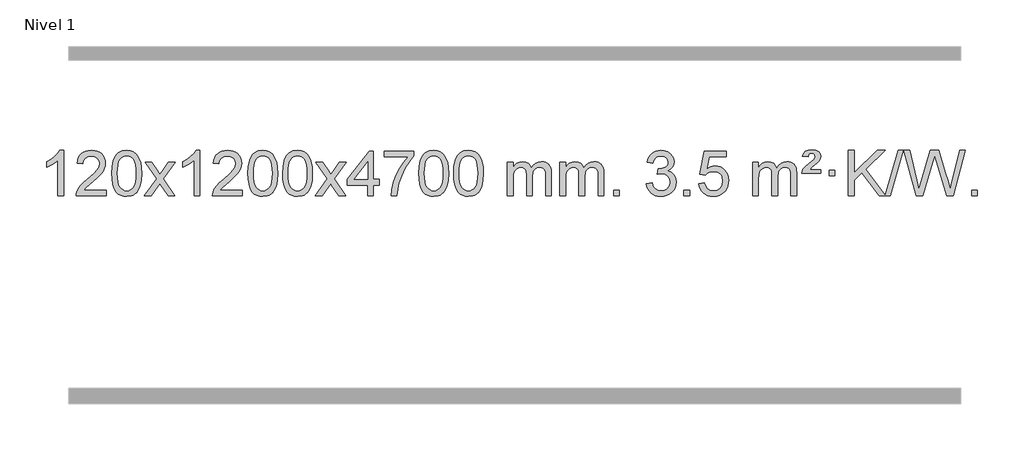
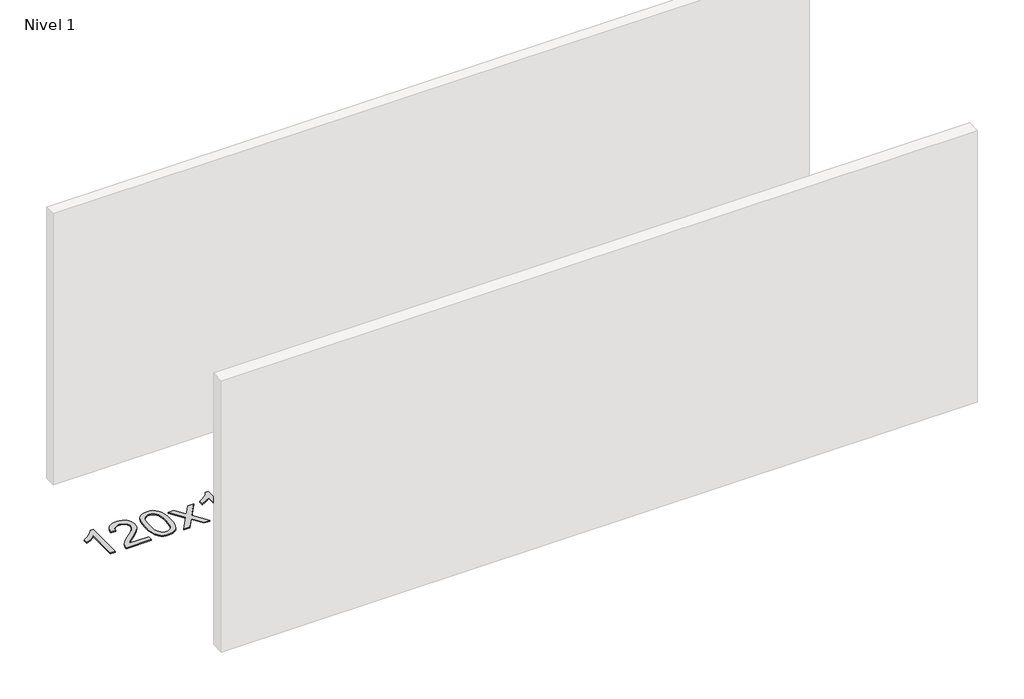
# One storey, part 11 of 16: 1 proxy.
"""IFC4 building model written with IfcOpenShell, lengths in millimetres."""

import ifcopenshell
import ifcopenshell.guid

model = None  # the IFC model being written
_history = None  # IfcOwnerHistory: only IFC2X3 demands one
_inside = {}  # id of a spatial element -> (the spatial element, [elements in it])
_under = {}  # id of a project, library or spatial element -> (it, [spatial elements below it])
_declared = {}  # id of a project -> (the project, [libraries it declares])
_typed = {}  # id of a type object -> (the type object, [elements of that type])
_made_of = {}  # id of a material, layer set ... -> (it, [elements and type objects made of it])


def new_model(schema):
    """Start an empty IFC model of exactly this schema.

    Asked for "IFC4X3", IfcOpenShell would pick the latest addendum, in which some entities
    have other attributes; the version numbers below select the first issue.
    IFC2X3 requires an IfcOwnerHistory on every rooted entity: one is made here for all.
    """
    global model, _history
    if schema == "IFC4X3":
        model = ifcopenshell.file(schema_version=(4, 3, 0, 0))
    else:
        model = ifcopenshell.file(schema=schema)
    _inside.clear()
    _under.clear()
    _declared.clear()
    _typed.clear()
    _made_of.clear()
    _history = None
    if model.schema == "IFC2X3":
        org = make("IfcOrganization", Name="unknown")
        user = make(
            "IfcPersonAndOrganization",
            ThePerson=make("IfcPerson", FamilyName="unknown"),
            TheOrganization=org,
        )
        app = make(
            "IfcApplication",
            ApplicationDeveloper=org,
            Version="unknown",
            ApplicationFullName="unknown",
            ApplicationIdentifier="unknown",
        )
        _history = make(
            "IfcOwnerHistory",
            OwningUser=user,
            OwningApplication=app,
            ChangeAction="ADDED",
            CreationDate=0,
        )
    return model


def make(cls, **values):
    """One entity of the class cls with the attributes given. An attribute that is None is left unset."""
    return model.create_entity(
        cls, **{name: value for name, value in values.items() if value is not None}
    )


def rooted(cls, **values):
    """An entity with a GlobalId (a new one), such as an element, a storey or a relation."""
    return make(cls, GlobalId=ifcopenshell.guid.new(), OwnerHistory=_history, **values)


def si_unit(unit_type, name, prefix=None):
    """IfcSIUnit, for example si_unit("LENGTHUNIT", "METRE", prefix="MILLI")."""
    return make("IfcSIUnit", UnitType=unit_type, Prefix=prefix, Name=name)


def assignment(units):
    """IfcUnitAssignment: the units of a project."""
    return None if units is None else make("IfcUnitAssignment", Units=units)


def point(xyz):
    """IfcCartesianPoint."""
    return None if xyz is None else make("IfcCartesianPoint", Coordinates=xyz)


def direction(xyz):
    """IfcDirection."""
    return None if xyz is None else make("IfcDirection", DirectionRatios=xyz)


def frame(location, z_axis=None, x_axis=None):
    """IfcAxis2Placement3D, a coordinate frame: its origin and axes. An axis left out is left unset."""
    return make(
        "IfcAxis2Placement3D",
        Location=point(location),
        Axis=direction(z_axis),
        RefDirection=direction(x_axis),
    )


def origin():
    """The frame at (0, 0, 0) with its axes left unset."""
    return frame((0.0, 0.0, 0.0))


def origin_with_axes():
    """The frame at (0, 0, 0) with the z axis (0, 0, 1) and the x axis (1, 0, 0) written out."""
    return frame((0.0, 0.0, 0.0), z_axis=(0.0, 0.0, 1.0), x_axis=(1.0, 0.0, 0.0))


def place(relative_to, where):
    """IfcLocalPlacement: puts the frame where relative to a parent placement (None: the world)."""
    return make(
        "IfcLocalPlacement", PlacementRelTo=relative_to, RelativePlacement=where
    )


def context(
    kind, dimensions, precision=None, world=None, true_north=None, identifier=None
):
    """IfcGeometricRepresentationContext, for example the 3D "Model" context."""
    return make(
        "IfcGeometricRepresentationContext",
        ContextIdentifier=identifier,
        ContextType=kind,
        CoordinateSpaceDimension=dimensions,
        Precision=precision,
        WorldCoordinateSystem=world,
        TrueNorth=true_north,
    )


def project(units=None, contexts=None):
    """IfcProject with its units and contexts."""
    return rooted(
        "IfcProject",
        Name="project",
        RepresentationContexts=contexts,
        UnitsInContext=assignment(units),
    )


def spatial(cls, under=None, at=None, **own):
    """A site, building, storey or space (cls), placed at a placement, below another one or the project."""
    s = rooted(cls, ObjectPlacement=at, **own)
    if under is not None:
        _under.setdefault(under.id(), (under, []))[1].append(s)
    return s


def polyline(points):
    """IfcPolyline through the points."""
    return make("IfcPolyline", Points=[point(p) for p in points])


def outline(outer, holes=None, kind="AREA"):
    """IfcArbitraryClosedProfileDef: a profile drawn as a closed curve; with holes, ...WithVoids."""
    if holes is None:
        return make("IfcArbitraryClosedProfileDef", ProfileType=kind, OuterCurve=outer)
    return make(
        "IfcArbitraryProfileDefWithVoids",
        ProfileType=kind,
        OuterCurve=outer,
        InnerCurves=holes,
    )


def extrude(swept, where, along, depth):
    """IfcExtrudedAreaSolid: the profile swept, set in the frame where, extruded along a direction by depth."""
    return make(
        "IfcExtrudedAreaSolid",
        SweptArea=swept,
        Position=where,
        ExtrudedDirection=direction(along),
        Depth=depth,
    )


def shape(context_of_items, identifier, shape_type, items):
    """IfcShapeRepresentation: the items that make up one representation, for example the "Body"."""
    return make(
        "IfcShapeRepresentation",
        ContextOfItems=context_of_items,
        RepresentationIdentifier=identifier,
        RepresentationType=shape_type,
        Items=items,
    )


def made_of(thing, what):
    """Note that an element or type object is made of a material, layer set ...; save() writes the relation."""
    if what is not None:
        _made_of.setdefault(what.id(), (what, []))[1].append(thing)
    return thing


def element(
    cls,
    number,
    at=None,
    inside=None,
    cuts=None,
    type_object=None,
    material=None,
    context=None,
    identifier="Body",
    shape_type=None,
    held_by="IfcProductDefinitionShape",
    body=None,
    shapes=None,
    **own,
):
    """One element of the class cls, such as IfcWall. Its Tag is "e" and its number.

    at: its placement. inside: the storey or other place that contains it. cuts: it is an
    opening in that element (IfcRelVoidsElement). A single representation is given by context,
    identifier, shape_type and body (its items); several are given by shapes. held_by: the class
    of the entity that holds the representations. save() writes the other relations.
    """
    e = rooted(cls, Tag="e%d" % number, ObjectPlacement=at, **own)
    if body is not None:
        shapes = [shape(context, identifier, shape_type, body)]
    if shapes is not None:
        e.Representation = make(held_by, Representations=shapes)
    if inside is not None:
        _inside.setdefault(inside.id(), (inside, []))[1].append(e)
    if cuts is not None:
        rooted(
            "IfcRelVoidsElement", RelatingBuildingElement=cuts, RelatedOpeningElement=e
        )
    if type_object is not None:
        _typed.setdefault(type_object.id(), (type_object, []))[1].append(e)
    return made_of(e, material)


def aggregate(whole, parts):
    """IfcRelAggregates: a whole, such as a stair, and the parts it consists of."""
    return rooted("IfcRelAggregates", RelatingObject=whole, RelatedObjects=parts)


def save(model, path):
    """Write the relations noted so far, then the file.

    IfcRelAggregates (storeys below a building ...), IfcRelContainedInSpatialStructure (elements
    in a storey), IfcRelDefinesByType, IfcRelAssociatesMaterial and IfcRelDeclares: one each for
    every whole, place, type object, material and project.
    """
    for whole, parts in _under.values():
        aggregate(whole, parts)
    for where, things in _inside.values():
        rooted(
            "IfcRelContainedInSpatialStructure",
            RelatedElements=things,
            RelatingStructure=where,
        )
    for kind, things in _typed.values():
        rooted("IfcRelDefinesByType", RelatedObjects=things, RelatingType=kind)
    for what, things in _made_of.values():
        rooted("IfcRelAssociatesMaterial", RelatedObjects=things, RelatingMaterial=what)
    for by, libraries in _declared.values():
        rooted("IfcRelDeclares", RelatingContext=by, RelatedDefinitions=libraries)
    model.write(path)


model = new_model("IFC4")

# Units and contexts
model_context = context("Model", 3, world=origin())
ifc_project = project(units=[si_unit("LENGTHUNIT", "METRE", prefix="MILLI")], contexts=[model_context])

# Site, building, storey
site = spatial("IfcSite", under=ifc_project)
building = spatial("IfcBuilding", under=site)
storey = spatial("IfcBuildingStorey", under=building, Name="Nivel 1", Elevation=0.0)

# Proxy
placement = place(None, origin())
element("IfcBuildingElementProxy", 1, Name="Texto de modelo 1", ObjectType="Texto de modelo 1", at=placement, inside=storey, context=model_context, shape_type="SweptSolid", body=[
    extrude(outline(polyline([(-275.4615788, -12420.579453), (-325.6897338, -12420.579453), (-325.6897338, -12107.4382987), (-346.6590076, -12124.3976587), (-373.2691385, -12141.3324932), (-426.146044, -12166.6918254), (-426.146044, -12119.2105225), (-386.6968314, -12097.7507395), (-352.520594, -12072.219729), (-325.5793692, -12045.0700378), (-307.8351943, -12018.7542124), (-275.4615788, -12018.7542124), (-275.4615788, -12420.579453)])), origin_with_axes(), (0.0, 0.0, 1.0), 10.0),
    extrude(outline(polyline([(101.2495843, -12370.3512979), (101.2495843, -12420.579453), (-162.4482298, -12420.579453), (-161.3445839, -12402.8965918), (-157.0526273, -12385.9494945), (-144.6672667, -12358.8856424), (-126.5429471, -12332.6311307), (-100.3252236, -12305.1503456), (-63.6596514, -12274.4076736), (-9.4583708, -12226.2641831), (23.0623976, -12190.7267824), (39.3227818, -12161.884834), (44.7429098, -12133.8277005), (39.6293501, -12108.6768347), (24.2886709, -12087.7688747), (0.707435, -12073.6789943), (-29.1277948, -12068.9823675), (-60.4590781, -12073.5686297), (-84.8006034, -12087.3274163), (-100.5091646, -12109.1796068), (-105.9415554, -12138.0460807), (-156.1697105, -12131.7675613), (-151.8501627, -12105.838012), (-143.9928164, -12083.1826125), (-132.5976716, -12063.8013627), (-117.6647283, -12047.6942627), (-99.537343, -12035.0329907), (-78.5588722, -12025.989225), (-54.729316, -12020.5629655), (-28.0486743, -12018.7542124), (-1.1289093, -12020.7653006), (22.8294057, -12026.7985654), (43.8262705, -12036.8540066), (61.8616853, -12050.9316242), (76.3470389, -12067.9890861), (86.69372, -12086.9840598), (92.9017287, -12107.9165453), (94.9710649, -12130.7865427), (92.7392475, -12154.8092369), (86.0437952, -12178.4149983), (74.1612067, -12202.4254299), (56.3679809, -12227.6621347), (28.0042791, -12257.7916701), (-15.5897374, -12296.4805933), (-73.3717361, -12344.795762), (-96.033267, -12370.3512979), (101.2495843, -12370.3512979)])), origin_with_axes(), (0.0, 0.0, 1.0), 10.0),
    extrude(outline(polyline([(151.4777394, -12222.9041943), (155.1688221, -12158.5861588), (166.2420701, -12107.2911459), (184.5871189, -12068.2343407), (196.4451819, -12053.0009605), (210.0936039, -12040.6309284), (225.5783702, -12031.0598651), (242.9454661, -12024.2233914), (283.3266464, -12018.7542124), (314.277785, -12021.991574), (341.9915619, -12031.7036586), (365.1681276, -12047.5103217), (382.5076323, -12069.0314184), (395.6042314, -12096.0830078), (406.05208, -12128.4811488), (412.8946851, -12169.6226186), (415.1755535, -12222.9041943), (411.521259, -12286.8543477), (400.5583756, -12338.0267333), (382.3236913, -12377.1203266), (370.4932195, -12392.3996922), (356.8539945, -12404.8341036), (341.3508341, -12414.4695462), (323.928556, -12421.3520052), (283.3266464, -12426.8579724), (255.6619204, -12424.4667394), (231.1364541, -12417.2930405), (209.7502474, -12405.3368757), (191.5033004, -12388.5982449), (173.9921175, -12358.3399508), (161.4841296, -12320.6381776), (153.9793369, -12275.4929255), (151.4777394, -12222.9041943)]), holes=[polyline([(201.7058944, -12222.8060924), (203.1774224, -12266.4706195), (207.5920064, -12301.8148822), (214.9496463, -12328.8388804), (225.2503421, -12347.5426142), (237.709279, -12360.2682656), (251.5416421, -12369.3580165), (266.7474312, -12374.8118671), (283.3266464, -12376.6298173), (299.9058617, -12374.8057357), (315.1116508, -12369.3334911), (328.9440138, -12360.2130833), (341.4029507, -12347.4445124), (351.7036466, -12328.7101217), (359.0612865, -12301.6922549), (363.4758705, -12266.3909118), (364.9473984, -12222.8060924), (363.5249214, -12180.2973278), (359.2574902, -12145.5753989), (352.145105, -12118.6403055), (342.1877657, -12099.4920476), (329.9372952, -12086.1440625), (315.9455167, -12076.6097875), (300.21243, -12070.8892225), (282.7380352, -12068.9823675), (266.2446591, -12070.6623619), (251.2963874, -12075.7023452), (237.89322, -12084.1023175), (226.0351571, -12095.8622786), (215.3911047, -12116.708925), (207.7882101, -12144.8151094), (203.2264734, -12180.1808319), (201.7058944, -12222.8060924)])]), origin_with_axes(), (0.0, 0.0, 1.0), 10.0),
    extrude(outline(polyline([(440.2896311, -12420.579453), (547.6130718, -12272.2494325), (446.5681504, -12125.4890419), (506.9988995, -12125.4890419), (555.7555266, -12196.122385), (578.5151594, -12229.4770192), (598.2336343, -12202.2047007), (653.7592901, -12125.4890419), (714.1900392, -12125.4890419), (608.0438209, -12272.2494325), (710.2659646, -12420.579453), (649.8352155, -12420.579453), (588.3253459, -12331.4048574), (577.0436314, -12315.1199477), (500.7203801, -12420.579453), (440.2896311, -12420.579453)])), origin_with_axes(), (0.0, 0.0, 1.0), 10.0),
    extrude(outline(polyline([(930.014143, -12420.579453), (879.785988, -12420.579453), (879.785988, -12107.4382987), (858.8167142, -12124.3976587), (832.2065832, -12141.3324932), (779.3296778, -12166.6918254), (779.3296778, -12119.2105225), (818.7788904, -12097.7507395), (852.9551278, -12072.219729), (879.8963526, -12045.0700378), (897.6405275, -12018.7542124), (930.014143, -12018.7542124), (930.014143, -12420.579453)])), origin_with_axes(), (0.0, 0.0, 1.0), 10.0),
    extrude(outline(polyline([(1306.7253061, -12370.3512979), (1306.7253061, -12420.579453), (1043.0274919, -12420.579453), (1044.1311379, -12402.8965918), (1048.4230945, -12385.9494945), (1060.808455, -12358.8856424), (1078.9327747, -12332.6311307), (1105.1504982, -12305.1503456), (1141.8160704, -12274.4076736), (1196.017351, -12226.2641831), (1228.5381194, -12190.7267824), (1244.7985036, -12161.884834), (1250.2186316, -12133.8277005), (1245.1050719, -12108.6768347), (1229.7643927, -12087.7688747), (1206.1831568, -12073.6789943), (1176.347927, -12068.9823675), (1145.0166437, -12073.5686297), (1120.6751184, -12087.3274163), (1104.9665572, -12109.1796068), (1099.5341664, -12138.0460807), (1049.3060113, -12131.7675613), (1053.6255591, -12105.838012), (1061.4829054, -12083.1826125), (1072.8780502, -12063.8013627), (1087.8109935, -12047.6942627), (1105.9383788, -12035.0329907), (1126.9168496, -12025.989225), (1150.7464058, -12020.5629655), (1177.4270475, -12018.7542124), (1204.3468125, -12020.7653006), (1228.3051275, -12026.7985654), (1249.3019923, -12036.8540066), (1267.3374071, -12050.9316242), (1281.8227607, -12067.9890861), (1292.1694418, -12086.9840598), (1298.3774505, -12107.9165453), (1300.4467867, -12130.7865427), (1298.2149693, -12154.8092369), (1291.519517, -12178.4149983), (1279.6369285, -12202.4254299), (1261.8437027, -12227.6621347), (1233.4800009, -12257.7916701), (1189.8859844, -12296.4805933), (1132.1039857, -12344.795762), (1109.4424548, -12370.3512979), (1306.7253061, -12370.3512979)])), origin_with_axes(), (0.0, 0.0, 1.0), 10.0),
    extrude(outline(polyline([(1356.9534612, -12222.9041943), (1360.6445439, -12158.5861588), (1371.7177919, -12107.2911459), (1390.0628407, -12068.2343407), (1401.9209037, -12053.0009605), (1415.5693257, -12040.6309284), (1431.054092, -12031.0598651), (1448.4211879, -12024.2233914), (1488.8023682, -12018.7542124), (1519.7535068, -12021.991574), (1547.4672837, -12031.7036586), (1570.6438494, -12047.5103217), (1587.9833541, -12069.0314184), (1601.0799532, -12096.0830078), (1611.5278018, -12128.4811488), (1618.3704069, -12169.6226186), (1620.6512753, -12222.9041943), (1616.9969808, -12286.8543477), (1606.0340974, -12338.0267333), (1587.7994131, -12377.1203266), (1575.9689413, -12392.3996922), (1562.3297163, -12404.8341036), (1546.8265559, -12414.4695462), (1529.4042778, -12421.3520052), (1488.8023682, -12426.8579724), (1461.1376422, -12424.4667394), (1436.6121759, -12417.2930405), (1415.2259692, -12405.3368757), (1396.9790222, -12388.5982449), (1379.4678393, -12358.3399508), (1366.9598514, -12320.6381776), (1359.4550587, -12275.4929255), (1356.9534612, -12222.9041943)]), holes=[polyline([(1407.1816162, -12222.8060924), (1408.6531442, -12266.4706195), (1413.0677282, -12301.8148822), (1420.4253681, -12328.8388804), (1430.7260639, -12347.5426142), (1443.1850008, -12360.2682656), (1457.0173639, -12369.3580165), (1472.223153, -12374.8118671), (1488.8023682, -12376.6298173), (1505.3815835, -12374.8057357), (1520.5873726, -12369.3334911), (1534.4197356, -12360.2130833), (1546.8786725, -12347.4445124), (1557.1793684, -12328.7101217), (1564.5370083, -12301.6922549), (1568.9515923, -12266.3909118), (1570.4231202, -12222.8060924), (1569.0006432, -12180.2973278), (1564.733212, -12145.5753989), (1557.6208268, -12118.6403055), (1547.6634875, -12099.4920476), (1535.413017, -12086.1440625), (1521.4212385, -12076.6097875), (1505.6881518, -12070.8892225), (1488.213757, -12068.9823675), (1471.7203809, -12070.6623619), (1456.7721092, -12075.7023452), (1443.3689418, -12084.1023175), (1431.5108789, -12095.8622786), (1420.8668265, -12116.708925), (1413.2639319, -12144.8151094), (1408.7021952, -12180.1808319), (1407.1816162, -12222.8060924)])]), origin_with_axes(), (0.0, 0.0, 1.0), 10.0),
    extrude(outline(polyline([(1664.600911, -12222.9041943), (1668.2919937, -12158.5861588), (1679.3652417, -12107.2911459), (1697.7102906, -12068.2343407), (1709.5683535, -12053.0009605), (1723.2167756, -12040.6309284), (1738.7015419, -12031.0598651), (1756.0686377, -12024.2233914), (1796.4498181, -12018.7542124), (1827.4009566, -12021.991574), (1855.1147336, -12031.7036586), (1878.2912993, -12047.5103217), (1895.630804, -12069.0314184), (1908.727403, -12096.0830078), (1919.1752517, -12128.4811488), (1926.0178568, -12169.6226186), (1928.2987251, -12222.9041943), (1924.6444307, -12286.8543477), (1913.6815472, -12338.0267333), (1895.446863, -12377.1203266), (1883.6163911, -12392.3996922), (1869.9771662, -12404.8341036), (1854.4740058, -12414.4695462), (1837.0517276, -12421.3520052), (1796.4498181, -12426.8579724), (1768.785092, -12424.4667394), (1744.2596257, -12417.2930405), (1722.873419, -12405.3368757), (1704.6264721, -12388.5982449), (1687.1152891, -12358.3399508), (1674.6073013, -12320.6381776), (1667.1025086, -12275.4929255), (1664.600911, -12222.9041943)]), holes=[polyline([(1714.8290661, -12222.8060924), (1716.3005941, -12266.4706195), (1720.715178, -12301.8148822), (1728.0728179, -12328.8388804), (1738.3735138, -12347.5426142), (1750.8324507, -12360.2682656), (1764.6648137, -12369.3580165), (1779.8706028, -12374.8118671), (1796.4498181, -12376.6298173), (1813.0290333, -12374.8057357), (1828.2348225, -12369.3334911), (1842.0671855, -12360.2130833), (1854.5261224, -12347.4445124), (1864.8268182, -12328.7101217), (1872.1844581, -12301.6922549), (1876.5990421, -12266.3909118), (1878.0705701, -12222.8060924), (1876.648093, -12180.2973278), (1872.3806619, -12145.5753989), (1865.2682766, -12118.6403055), (1855.3109373, -12099.4920476), (1843.0604669, -12086.1440625), (1829.0686883, -12076.6097875), (1813.3356016, -12070.8892225), (1795.8612069, -12068.9823675), (1779.3678308, -12070.6623619), (1764.419559, -12075.7023452), (1751.0163917, -12084.1023175), (1739.1583287, -12095.8622786), (1728.5142763, -12116.708925), (1720.9113817, -12144.8151094), (1716.349645, -12180.1808319), (1714.8290661, -12222.8060924)])]), origin_with_axes(), (0.0, 0.0, 1.0), 10.0),
    extrude(outline(polyline([(1953.4128027, -12420.579453), (2060.7362434, -12272.2494325), (1959.6913221, -12125.4890419), (2020.1220711, -12125.4890419), (2068.8786982, -12196.122385), (2091.638331, -12229.4770192), (2111.3568059, -12202.2047007), (2166.8824617, -12125.4890419), (2227.3132108, -12125.4890419), (2121.1669925, -12272.2494325), (2223.3891362, -12420.579453), (2162.9583871, -12420.579453), (2101.4485175, -12331.4048574), (2090.166803, -12315.1199477), (2013.8435518, -12420.579453), (1953.4128027, -12420.579453)])), origin_with_axes(), (0.0, 0.0, 1.0), 10.0),
    extrude(outline(polyline([(2418.0232371, -12420.579453), (2418.0232371, -12326.4016622), (2235.946175, -12326.4016622), (2235.946175, -12276.1735072), (2430.5802759, -12025.0327318), (2468.2513922, -12025.0327318), (2468.2513922, -12276.1735072), (2518.4795473, -12276.1735072), (2518.4795473, -12326.4016622), (2468.2513922, -12326.4016622), (2468.2513922, -12420.579453), (2418.0232371, -12420.579453)]), holes=[polyline([(2418.0232371, -12276.1735072), (2418.0232371, -12120.9763561), (2297.7503502, -12276.1735072), (2418.0232371, -12276.1735072)])]), origin_with_axes(), (0.0, 0.0, 1.0), 10.0),
    extrude(outline(polyline([(2562.429183, -12075.2608869), (2562.429183, -12025.0327318), (2826.1269971, -12025.0327318), (2826.1269971, -12065.646904), (2788.5417199, -12113.214046), (2751.3243248, -12173.7061088), (2718.496988, -12241.6048623), (2694.0818863, -12311.3920768), (2682.1134587, -12363.6067947), (2675.4425319, -12420.579453), (2625.2143768, -12420.579453), (2630.6467676, -12368.8061935), (2645.1781064, -12307.2717985), (2668.4159858, -12242.0463207), (2699.9679982, -12179.1998132), (2736.8052487, -12122.3865704), (2775.898842, -12075.2608869), (2562.429183, -12075.2608869)])), origin_with_axes(), (0.0, 0.0, 1.0), 10.0),
    extrude(outline(polyline([(2870.0766328, -12222.9041943), (2873.7677155, -12158.5861588), (2884.8409635, -12107.2911459), (2903.1860124, -12068.2343407), (2915.0440753, -12053.0009605), (2928.6924974, -12040.6309284), (2944.1772637, -12031.0598651), (2961.5443595, -12024.2233914), (3001.9255399, -12018.7542124), (3032.8766784, -12021.991574), (3060.5904554, -12031.7036586), (3083.7670211, -12047.5103217), (3101.1065258, -12069.0314184), (3114.2031248, -12096.0830078), (3124.6509735, -12128.4811488), (3131.4935786, -12169.6226186), (3133.7744469, -12222.9041943), (3130.1201525, -12286.8543477), (3119.157269, -12338.0267333), (3100.9225848, -12377.1203266), (3089.0921129, -12392.3996922), (3075.452888, -12404.8341036), (3059.9497276, -12414.4695462), (3042.5274494, -12421.3520052), (3001.9255399, -12426.8579724), (2974.2608138, -12424.4667394), (2949.7353475, -12417.2930405), (2928.3491408, -12405.3368757), (2910.1021939, -12388.5982449), (2892.5910109, -12358.3399508), (2880.0830231, -12320.6381776), (2872.5782304, -12275.4929255), (2870.0766328, -12222.9041943)]), holes=[polyline([(2920.3047879, -12222.8060924), (2921.7763158, -12266.4706195), (2926.1908998, -12301.8148822), (2933.5485397, -12328.8388804), (2943.8492356, -12347.5426142), (2956.3081725, -12360.2682656), (2970.1405355, -12369.3580165), (2985.3463246, -12374.8118671), (3001.9255399, -12376.6298173), (3018.5047551, -12374.8057357), (3033.7105442, -12369.3334911), (3047.5429073, -12360.2130833), (3060.0018442, -12347.4445124), (3070.30254, -12328.7101217), (3077.6601799, -12301.6922549), (3082.0747639, -12266.3909118), (3083.5462919, -12222.8060924), (3082.1238148, -12180.2973278), (3077.8563837, -12145.5753989), (3070.7439984, -12118.6403055), (3060.7866591, -12099.4920476), (3048.5361887, -12086.1440625), (3034.5444101, -12076.6097875), (3018.8113234, -12070.8892225), (3001.3369287, -12068.9823675), (2984.8435526, -12070.6623619), (2969.8952808, -12075.7023452), (2956.4921135, -12084.1023175), (2944.6340505, -12095.8622786), (2933.9899981, -12116.708925), (2926.3871035, -12144.8151094), (2921.8253668, -12180.1808319), (2920.3047879, -12222.8060924)])]), origin_with_axes(), (0.0, 0.0, 1.0), 10.0),
    extrude(outline(polyline([(3177.7240826, -12222.9041943), (3181.4151653, -12158.5861588), (3192.4884134, -12107.2911459), (3210.8334622, -12068.2343407), (3222.6915252, -12053.0009605), (3236.3399472, -12040.6309284), (3251.8247135, -12031.0598651), (3269.1918094, -12024.2233914), (3309.5729897, -12018.7542124), (3340.5241282, -12021.991574), (3368.2379052, -12031.7036586), (3391.4144709, -12047.5103217), (3408.7539756, -12069.0314184), (3421.8505746, -12096.0830078), (3432.2984233, -12128.4811488), (3439.1410284, -12169.6226186), (3441.4218968, -12222.9041943), (3437.7676023, -12286.8543477), (3426.8047188, -12338.0267333), (3408.5700346, -12377.1203266), (3396.7395628, -12392.3996922), (3383.1003378, -12404.8341036), (3367.5971774, -12414.4695462), (3350.1748992, -12421.3520052), (3309.5729897, -12426.8579724), (3281.9082637, -12424.4667394), (3257.3827973, -12417.2930405), (3235.9965907, -12405.3368757), (3217.7496437, -12388.5982449), (3200.2384607, -12358.3399508), (3187.7304729, -12320.6381776), (3180.2256802, -12275.4929255), (3177.7240826, -12222.9041943)]), holes=[polyline([(3227.9522377, -12222.8060924), (3229.4237657, -12266.4706195), (3233.8383496, -12301.8148822), (3241.1959895, -12328.8388804), (3251.4966854, -12347.5426142), (3263.9556223, -12360.2682656), (3277.7879853, -12369.3580165), (3292.9937744, -12374.8118671), (3309.5729897, -12376.6298173), (3326.1522049, -12374.8057357), (3341.3579941, -12369.3334911), (3355.1903571, -12360.2130833), (3367.649294, -12347.4445124), (3377.9499899, -12328.7101217), (3385.3076298, -12301.6922549), (3389.7222137, -12266.3909118), (3391.1937417, -12222.8060924), (3389.7712646, -12180.2973278), (3385.5038335, -12145.5753989), (3378.3914483, -12118.6403055), (3368.4341089, -12099.4920476), (3356.1836385, -12086.1440625), (3342.1918599, -12076.6097875), (3326.4587733, -12070.8892225), (3308.9843785, -12068.9823675), (3292.4910024, -12070.6623619), (3277.5427307, -12075.7023452), (3264.1395633, -12084.1023175), (3252.2815003, -12095.8622786), (3241.6374479, -12116.708925), (3234.0345534, -12144.8151094), (3229.4728166, -12180.1808319), (3227.9522377, -12222.8060924)])]), origin_with_axes(), (0.0, 0.0, 1.0), 10.0),
    extrude(outline(polyline([(3654.8915558, -12420.579453), (3654.8915558, -12125.4890419), (3705.1197109, -12125.4890419), (3705.1197109, -12174.0494653), (3720.2273982, -12151.7435537), (3739.6515675, -12134.2691589), (3762.7300314, -12122.9751816), (3788.8006021, -12119.2105225), (3816.7351082, -12123.048758), (3839.126859, -12134.5634645), (3855.8532271, -12152.9943524), (3866.7915851, -12177.5811324), (3885.0998457, -12152.0439906), (3905.9832803, -12133.803175), (3929.4418888, -12122.8586857), (3955.4756714, -12119.2105225), (3975.5834881, -12120.7280358), (3993.2326268, -12125.2805755), (4008.4230875, -12132.8681416), (4021.1548702, -12143.4907342), (4031.2195085, -12157.2709806), (4038.4085358, -12174.3315082), (4042.7219522, -12194.6723168), (4044.1597577, -12218.2934066), (4044.1597577, -12420.579453), (3993.9316026, -12420.579453), (3993.9316026, -12239.875817), (3992.7666429, -12214.8230531), (3989.271764, -12197.9372695), (3982.7234645, -12186.3735121), (3972.3982431, -12177.2868268), (3959.1177031, -12171.4007149), (3943.7034475, -12169.4386776), (3916.4924426, -12174.4663982), (3894.3091583, -12189.54956), (3885.7037853, -12201.1194488), (3879.5570903, -12215.7182326), (3874.6397343, -12254.0024856), (3874.6397343, -12420.579453), (3824.4115792, -12420.579453), (3824.4115792, -12234.2840106), (3821.5053115, -12205.8835206), (3812.7865082, -12185.6254854), (3797.445829, -12173.4853796), (3774.6739335, -12169.4386776), (3755.3233405, -12172.1364789), (3737.4933265, -12180.2298828), (3722.7780467, -12193.5226856), (3712.7716564, -12211.8186835), (3707.0326973, -12237.2025411), (3705.1197109, -12271.7589232), (3705.1197109, -12420.579453), (3654.8915558, -12420.579453)])), origin_with_axes(), (0.0, 0.0, 1.0), 10.0),
    extrude(outline(polyline([(4119.5019903, -12420.579453), (4119.5019903, -12125.4890419), (4169.7301454, -12125.4890419), (4169.7301454, -12174.0494653), (4184.8378326, -12151.7435537), (4204.262002, -12134.2691589), (4227.3404658, -12122.9751816), (4253.4110365, -12119.2105225), (4281.3455427, -12123.048758), (4303.7372935, -12134.5634645), (4320.4636615, -12152.9943524), (4331.4020195, -12177.5811324), (4349.7102801, -12152.0439906), (4370.5937147, -12133.803175), (4394.0523233, -12122.8586857), (4420.0861058, -12119.2105225), (4440.1939225, -12120.7280358), (4457.8430612, -12125.2805755), (4473.033522, -12132.8681416), (4485.7653047, -12143.4907342), (4495.8299429, -12157.2709806), (4503.0189703, -12174.3315082), (4507.3323866, -12194.6723168), (4508.7701921, -12218.2934066), (4508.7701921, -12420.579453), (4458.542037, -12420.579453), (4458.542037, -12239.875817), (4457.3770774, -12214.8230531), (4453.8821984, -12197.9372695), (4447.3338989, -12186.3735121), (4437.0086776, -12177.2868268), (4423.7281376, -12171.4007149), (4408.313882, -12169.4386776), (4381.1028771, -12174.4663982), (4358.9195927, -12189.54956), (4350.3142197, -12201.1194488), (4344.1675247, -12215.7182326), (4339.2501687, -12254.0024856), (4339.2501687, -12420.579453), (4289.0220137, -12420.579453), (4289.0220137, -12234.2840106), (4286.1157459, -12205.8835206), (4277.3969426, -12185.6254854), (4262.0562634, -12173.4853796), (4239.2843679, -12169.4386776), (4219.933775, -12172.1364789), (4202.1037609, -12180.2298828), (4187.3884811, -12193.5226856), (4177.3820909, -12211.8186835), (4171.6431317, -12237.2025411), (4169.7301454, -12271.7589232), (4169.7301454, -12420.579453), (4119.5019903, -12420.579453)])), origin_with_axes(), (0.0, 0.0, 1.0), 10.0),
    extrude(outline(polyline([(4596.6694635, -12420.579453), (4596.6694635, -12370.3512979), (4646.8976186, -12370.3512979), (4646.8976186, -12420.579453), (4596.6694635, -12420.579453)])), origin_with_axes(), (0.0, 0.0, 1.0), 10.0),
    extrude(outline(polyline([(4885.4813552, -12313.8446235), (4935.7095102, -12307.5661041), (4946.9544366, -12339.1303793), (4963.4232872, -12360.4430095), (4985.9254026, -12372.5831154), (5015.2701231, -12376.6298173), (5049.7038778, -12371.0625364), (5063.9776992, -12364.1034354), (5076.2894833, -12354.3606939), (5093.2856315, -12329.4428201), (5098.9510142, -12299.2274455), (5093.3346824, -12270.5449126), (5076.4856871, -12247.2825078), (5050.9792021, -12231.8682522), (5019.3904014, -12226.730167), (4984.1718317, -12232.2238715), (4989.7636381, -12181.9957164), (4997.807991, -12182.5843276), (5027.9007382, -12178.979084), (5054.8051748, -12168.1633534), (5065.8784229, -12159.9841103), (5073.7878858, -12149.8673555), (5078.5335635, -12137.8130888), (5080.1154561, -12123.8213102), (5075.5291939, -12102.1285352), (5061.7704073, -12084.5315131), (5040.7766081, -12072.8696539), (5014.4853081, -12068.9823675), (4988.1449573, -12072.9064421), (4966.6115978, -12084.6786659), (4950.8907739, -12104.299039), (4941.9880296, -12131.7675613), (4891.7598746, -12125.4890419), (4897.7134315, -12101.5092672), (4906.5487308, -12080.3867093), (4918.2657723, -12062.1213683), (4932.8645561, -12046.713244), (4949.8852298, -12034.4811677), (4968.8679407, -12025.7439703), (4989.812689, -12020.5016519), (5012.7194746, -12018.7542124), (5044.2960125, -12022.2000404), (5073.2973764, -12032.5375245), (5097.7492664, -12048.8469596), (5115.6773823, -12070.2086408), (5126.6770539, -12094.8199463), (5130.3436112, -12120.8782543), (5126.8609949, -12145.1584659), (5116.4131463, -12167.1823347), (5099.147218, -12185.9443165), (5075.2103628, -12200.4388671), (5106.6520107, -12213.1430586), (5129.9512037, -12234.77452), (5144.3721779, -12264.1560286), (5149.1791693, -12300.1103623), (5146.7756736, -12325.5923218), (5139.5651865, -12349.0631931), (5127.547708, -12370.5229762), (5110.7232381, -12389.971671), (5090.2260796, -12406.1094278), (5067.1905353, -12417.636397), (5041.6166053, -12424.5525785), (5013.5042895, -12426.8579724), (4988.0959064, -12424.8898037), (4964.9438661, -12418.9852977), (4944.0481688, -12409.1444543), (4925.4088144, -12395.3672736), (4909.779961, -12378.4630959), (4897.9157666, -12359.2412617), (4889.8162313, -12337.7017708), (4885.4813552, -12313.8446235)])), origin_with_axes(), (0.0, 0.0, 1.0), 10.0),
    extrude(outline(polyline([(5218.2428825, -12420.579453), (5218.2428825, -12370.3512979), (5268.4710376, -12370.3512979), (5268.4710376, -12420.579453), (5218.2428825, -12420.579453)])), origin_with_axes(), (0.0, 0.0, 1.0), 10.0),
    extrude(outline(polyline([(5350.0917896, -12313.8446235), (5400.3199447, -12307.5661041), (5409.54152, -12337.7201649), (5425.630226, -12359.3148381), (5448.5124861, -12372.3010725), (5478.1147239, -12376.6298173), (5497.2445877, -12375.1245668), (5514.1181085, -12370.6088153), (5528.7352865, -12363.0825628), (5541.0961215, -12352.5458094), (5550.9247021, -12339.519721), (5557.9451169, -12324.5254641), (5563.5614487, -12288.6324441), (5558.3007361, -12254.8363514), (5551.7248455, -12240.9181493), (5542.5185986, -12228.9865099), (5530.6513385, -12219.4154467), (5516.0924086, -12212.5789729), (5478.8995389, -12207.1097939), (5454.533488, -12209.2925604), (5434.8027504, -12215.8408599), (5419.0451382, -12225.8717757), (5406.5984641, -12238.5023908), (5356.370309, -12232.2238715), (5400.3199447, -12025.0327318), (5594.9540456, -12025.0327318), (5594.9540456, -12075.2608869), (5440.934117, -12075.2608869), (5419.4498084, -12185.919791), (5437.1755892, -12173.2155994), (5455.3305657, -12164.1411769), (5473.9147378, -12158.6965234), (5492.9281056, -12156.8816388), (5517.3891926, -12159.1318504), (5539.8575855, -12165.882485), (5560.3332842, -12177.1335427), (5578.8162887, -12192.8850234), (5594.1171141, -12212.1743027), (5605.046275, -12234.038756), (5611.6037716, -12258.4783832), (5613.7896038, -12285.4931844), (5611.8214351, -12311.5147042), (5605.9169291, -12335.7213394), (5596.0760857, -12358.1130902), (5582.298905, -12378.6899565), (5561.4277331, -12399.7634634), (5537.073945, -12414.8159684), (5509.2375407, -12423.8474714), (5477.9185202, -12426.8579724), (5451.998168, -12424.9235262), (5428.5855447, -12419.1201877), (5407.6806503, -12409.447957), (5389.2834848, -12395.9068338), (5373.9765281, -12379.1712688), (5362.3422601, -12359.915712), (5354.3806805, -12338.1401636), (5350.0917896, -12313.8446235)])), origin_with_axes(), (0.0, 0.0, 1.0), 10.0),
    extrude(outline(polyline([(5827.2592628, -12420.579453), (5827.2592628, -12125.4890419), (5877.4874179, -12125.4890419), (5877.4874179, -12174.0494653), (5892.5951052, -12151.7435537), (5912.0192745, -12134.2691589), (5935.0977383, -12122.9751816), (5961.1683091, -12119.2105225), (5989.1028152, -12123.048758), (6011.494566, -12134.5634645), (6028.2209341, -12152.9943524), (6039.159292, -12177.5811324), (6057.4675527, -12152.0439906), (6078.3509873, -12133.803175), (6101.8095958, -12122.8586857), (6127.8433783, -12119.2105225), (6147.9511951, -12120.7280358), (6165.6003338, -12125.2805755), (6180.7907945, -12132.8681416), (6193.5225772, -12143.4907342), (6203.5872155, -12157.2709806), (6210.7762428, -12174.3315082), (6215.0896592, -12194.6723168), (6216.5274647, -12218.2934066), (6216.5274647, -12420.579453), (6166.2993096, -12420.579453), (6166.2993096, -12239.875817), (6165.1343499, -12214.8230531), (6161.639471, -12197.9372695), (6155.0911715, -12186.3735121), (6144.7659501, -12177.2868268), (6131.4854101, -12171.4007149), (6116.0711545, -12169.4386776), (6088.8601496, -12174.4663982), (6066.6768653, -12189.54956), (6058.0714923, -12201.1194488), (6051.9247973, -12215.7182326), (6047.0074413, -12254.0024856), (6047.0074413, -12420.579453), (5996.7792862, -12420.579453), (5996.7792862, -12234.2840106), (5993.8730184, -12205.8835206), (5985.1542152, -12185.6254854), (5969.813536, -12173.4853796), (5947.0416405, -12169.4386776), (5927.6910475, -12172.1364789), (5909.8610335, -12180.2298828), (5895.1457537, -12193.5226856), (5885.1393634, -12211.8186835), (5879.4004043, -12237.2025411), (5877.4874179, -12271.7589232), (5877.4874179, -12420.579453), (5827.2592628, -12420.579453)])), origin_with_axes(), (0.0, 0.0, 1.0), 10.0),
    extrude(outline(polyline([(6260.4771003, -12219.6668327), (6264.3030731, -12203.8479069), (6272.6417317, -12187.9799302), (6294.1505656, -12162.8413272), (6326.1072483, -12135.1030247), (6370.2530877, -12097.726214), (6377.3899984, -12086.1992448), (6379.7689686, -12074.3779701), (6377.8805077, -12062.2869152), (6372.215125, -12052.5012541), (6362.8463969, -12046.026531), (6349.8478997, -12043.8682899), (6337.4134883, -12045.4869707), (6328.5597949, -12050.343013), (6322.1341227, -12059.8098431), (6316.9837748, -12075.2608869), (6266.7556197, -12068.9823675), (6277.5958759, -12043.7701881), (6294.224142, -12026.2099542), (6317.9893189, -12015.9092583), (6350.2403072, -12012.475693), (6386.0229626, -12016.6082341), (6410.7691581, -12029.0058573), (6425.1901323, -12047.3386434), (6429.9971237, -12069.2766731), (6425.9013708, -12092.1834586), (6413.6141122, -12113.8149199), (6393.0862969, -12133.6314968), (6356.6169284, -12161.6886303), (6331.0123416, -12188.2742358), (6429.9971237, -12188.2742358), (6429.9971237, -12219.6668327), (6260.4771003, -12219.6668327)])), origin_with_axes(), (0.0, 0.0, 1.0), 10.0),
    extrude(outline(polyline([(6505.3393563, -12244.7809102), (6505.3393563, -12194.5527552), (6555.5675114, -12194.5527552), (6555.5675114, -12244.7809102), (6505.3393563, -12244.7809102)])), origin_with_axes(), (0.0, 0.0, 1.0), 10.0),
    extrude(outline(polyline([(6946.2091394, -12420.579453), (6792.7778219, -12217.9009991), (6725.0875348, -12282.4520265), (6725.0875348, -12420.579453), (6674.8593797, -12420.579453), (6674.8593797, -12018.7542124), (6725.0875348, -12018.7542124), (6725.0875348, -12215.4484525), (6931.1014521, -12018.7542124), (7001.3423877, -12018.7542124), (6828.388799, -12183.9577537), (7003.0424089, -12414.5349332), (7114.3557366, -12018.7542124), (7159.6787984, -12018.7542124), (7046.6654495, -12420.579453), (7007.6209071, -12420.579453), (7001.3423877, -12420.579453), (6946.2091394, -12420.579453)])), origin_with_axes(), (0.0, 0.0, 1.0), 10.0),
    extrude(outline(polyline([(7274.1636753, -12420.579453), (7164.5838917, -12018.7542124), (7216.3816766, -12018.7542124), (7279.9516854, -12282.844434), (7299.5720585, -12364.3670841), (7320.5658576, -12292.2622131), (7400.2245723, -12018.7542124), (7474.8800919, -12018.7542124), (7532.7601925, -12217.0180823), (7557.5554389, -12290.5944814), (7575.8269114, -12364.3670841), (7594.8586732, -12285.1988788), (7659.0172932, -12018.7542124), (7710.8150781, -12018.7542124), (7601.1371926, -12420.579453), (7547.4754723, -12420.579453), (7451.1394405, -12110.5775584), (7437.6994849, -12067.3146358), (7422.5917976, -12119.4067263), (7334.7906281, -12420.579453), (7274.1636753, -12420.579453)])), origin_with_axes(), (0.0, 0.0, 1.0), 10.0),
    extrude(outline(polyline([(7767.3217526, -12420.579453), (7767.3217526, -12370.3512979), (7817.5499077, -12370.3512979), (7817.5499077, -12420.579453), (7767.3217526, -12420.579453)])), origin_with_axes(), (0.0, 0.0, 1.0), 10.0),
])

save(model, "model.ifc")
